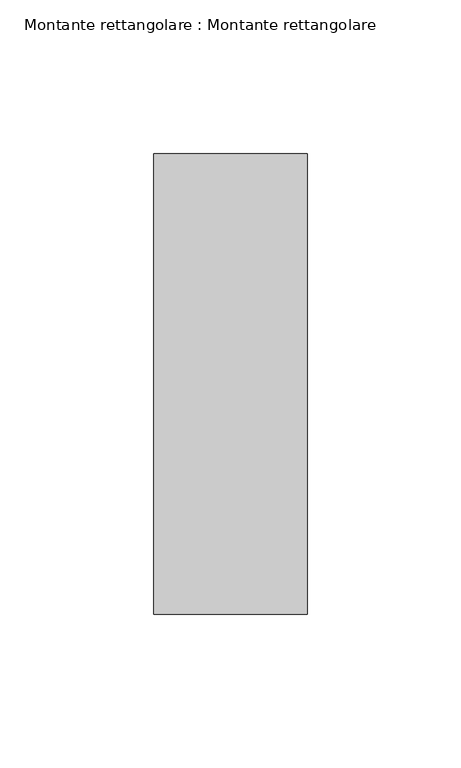
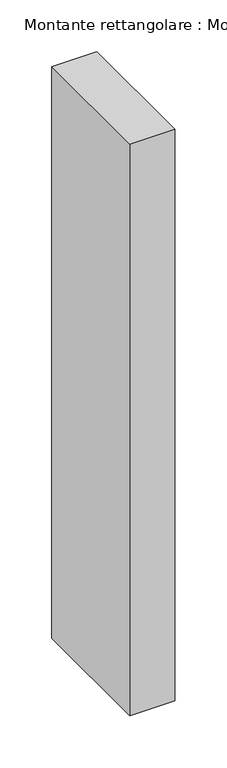
"""IFC4 building model written with IfcOpenShell, lengths in millimetres: member geometry, Montante rettangolare : Montante rettangolare."""

from ifc_helpers import new_model, si_unit, frame, origin, place, context, project, spatial, polyline, outline, extrude, source, transform, mapped, element, save


def montante_rettangolare_montante_rettangolare_87fbbeff(model_context):
    return source(origin(), model_context, "Body", "SweptSolid", [
        extrude(outline(polyline([(25.0, 75.0), (25.0, -75.0), (-25.0, -75.0), (-25.0, 75.0), (25.0, 75.0)])), frame((0.0, 0.0, -672.0), z_axis=(0.0, 0.0, 1.0), x_axis=(1.0, 0.0, 0.0)), (0.0, 0.0, 1.0), 672.0),
    ])


if __name__ == "__main__":
    model = new_model("IFC4")
    model_context = context("Model", 3, world=origin())
    ifc_project = project(units=[si_unit("LENGTHUNIT", "METRE", prefix="MILLI")], contexts=[model_context])
    site = spatial("IfcSite", under=ifc_project)
    building = spatial("IfcBuilding", under=site)
    placement = place(None, origin())
    montante_rettangolare_montante_rettangolare_shape = montante_rettangolare_montante_rettangolare_87fbbeff(model_context)
    element("IfcMember", 1, ObjectType="Montante rettangolare : Montante rettangolare", at=placement, inside=building, context=model_context, shape_type="MappedRepresentation", body=[
        mapped(montante_rettangolare_montante_rettangolare_shape, transform((0.0, 0.0, 0.0), x_axis=(1.0, 0.0, 0.0), y_axis=(0.0, 1.0, 0.0), z_axis=(0.0, 0.0, 1.0))),
    ])
    save(model, "model.ifc")
